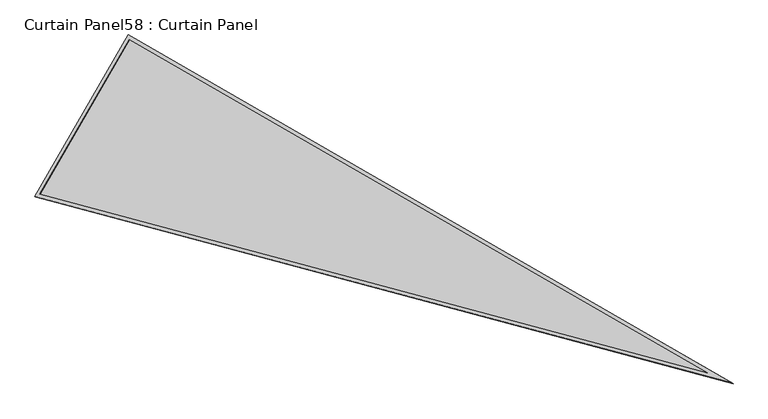
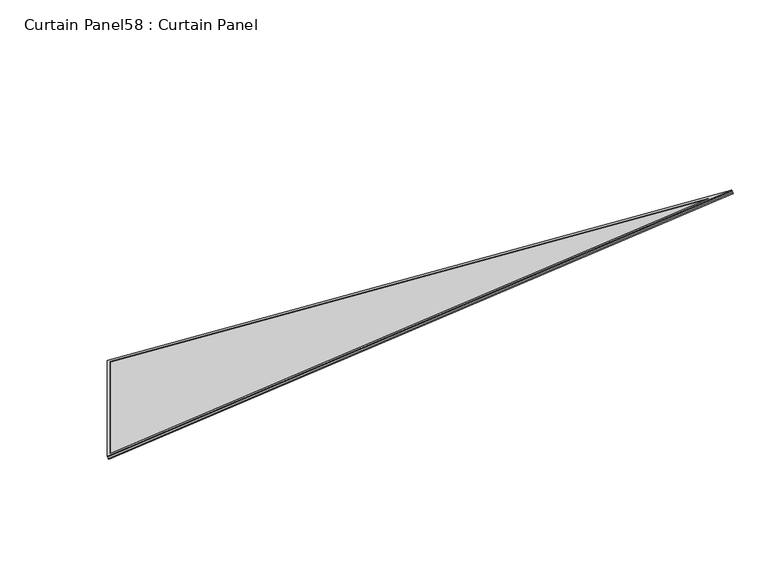
"""IFC4 building model written with IfcOpenShell, lengths in millimetres: plate geometry, Curtain Panel58 : Curtain Panel."""

from ifc_helpers import new_model, si_unit, frame, origin, place, context, project, spatial, polyline, outline, extrude, source, transform, mapped, element, save


def curtain_panel58_curtain_panel_ed8add8b(model_context):
    return source(origin(), model_context, "Body", "SweptSolid", [
        extrude(outline(polyline([(895.917553, 1e-07), (895.917553, -3524.3727628), (0.0, 0.0), (895.917553, 1e-07)]), holes=[polyline([(879.2547551, -16.6627978), (21.4285393, -16.6627978), (879.2547551, -3391.1913355), (879.2547551, -16.6627978)])]), frame((5638.7167484, 3132.1976337, 898.6937383), z_axis=(-0.27379031486166916, 0.1580729119869019, 0.948710608132917), x_axis=(0.500000000000015, 0.86602540378443, 0.0)), (0.0, 0.0, 1.0), 4.8385197),
        extrude(outline(polyline([(895.917553, 0.0), (895.9175531, -3524.3727629), (0.0, 0.0), (895.917553, 0.0)]), holes=[polyline([(885.6047551, -10.3127979), (13.2623703, -10.3127979), (885.6047551, -3441.9452408), (885.6047551, -10.3127979)])]), frame((5643.5409982, 3129.4123517, 881.9772337), z_axis=(-0.27379031486168853, 0.158072911986913, 0.9487106081329095), x_axis=(0.5000000000000149, 0.8660254037844302, 0.0)), (0.0, 0.0, 1.0), 4.7823602),
        extrude(outline(polyline([(20.2034564, 0.0), (916.1210094, 0.0), (916.1210095, -3524.3727629), (20.2034564, 0.0)])), frame((5632.1299061, 3112.6716068, 886.5143095), z_axis=(-0.2737903148616768, 0.1580729119869062, 0.9487106081329142), x_axis=(0.5000000000000104, 0.8660254037844326, 0.0)), (0.0, 0.0, 1.0), 12.8378756),
    ])


if __name__ == "__main__":
    model = new_model("IFC4")
    model_context = context("Model", 3, world=origin())
    ifc_project = project(units=[si_unit("LENGTHUNIT", "METRE", prefix="MILLI")], contexts=[model_context])
    site = spatial("IfcSite", under=ifc_project)
    building = spatial("IfcBuilding", under=site)
    placement = place(None, origin())
    curtain_panel58_curtain_panel_shape = curtain_panel58_curtain_panel_ed8add8b(model_context)
    element("IfcPlate", 1, ObjectType="Curtain Panel58 : Curtain Panel", at=placement, inside=building, context=model_context, shape_type="MappedRepresentation", body=[
        mapped(curtain_panel58_curtain_panel_shape, transform((0.0, 0.0, 0.0), x_axis=(1.0, 0.0, 0.0), y_axis=(0.0, 1.0, 0.0), z_axis=(0.0, 0.0, 1.0))),
    ])
    save(model, "model.ifc")
